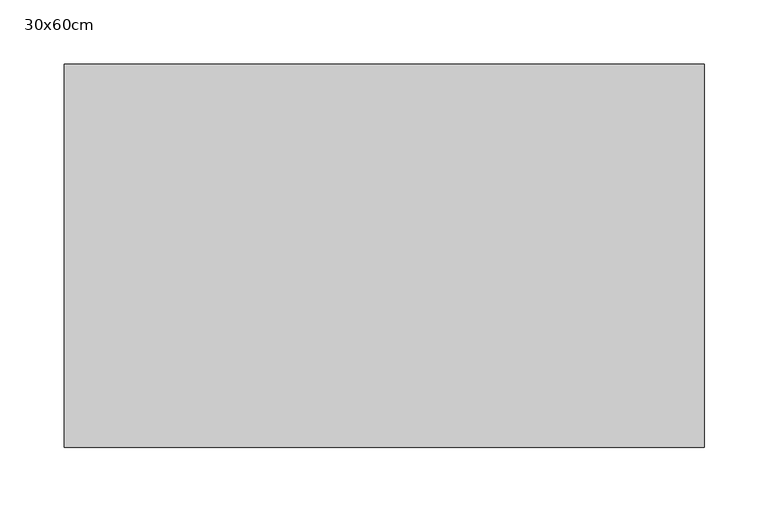
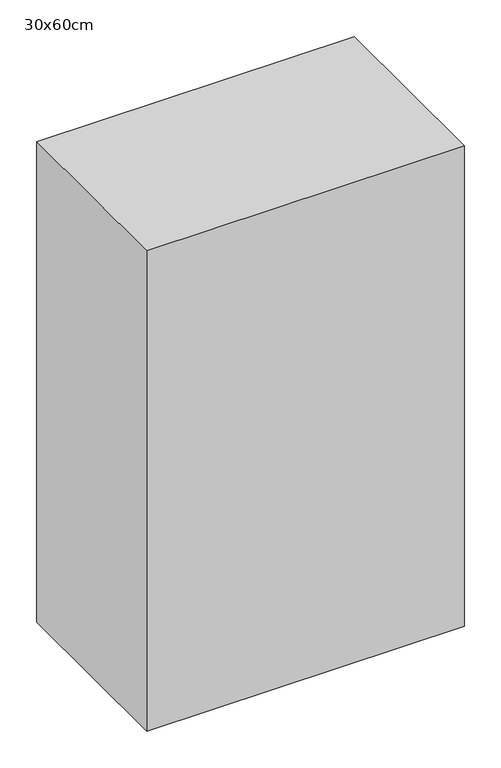
"""IFC4 building model written with IfcOpenShell, lengths in millimetres: proxy geometry, 30x60cm."""

from ifc_helpers import new_model, si_unit, frame, origin, place, context, project, spatial, polyline, outline, extrude, source, transform, mapped, element, save


def proxy_30x60cm_0c09dd75(model_context):
    return source(origin(), model_context, "Body", "SweptSolid", [
        extrude(outline(polyline([(500.0, 300.0), (500.0, 0.0), (0.0, 0.0), (0.0, 300.0), (500.0, 300.0)])), frame((0.0, 0.0, 1300.0), z_axis=(0.0, 0.0, 1.0), x_axis=(1.0, 0.0, 0.0)), (0.0, 0.0, 1.0), 800.0),
    ])


if __name__ == "__main__":
    model = new_model("IFC4")
    model_context = context("Model", 3, world=origin())
    ifc_project = project(units=[si_unit("LENGTHUNIT", "METRE", prefix="MILLI")], contexts=[model_context])
    site = spatial("IfcSite", under=ifc_project)
    building = spatial("IfcBuilding", under=site)
    placement = place(None, origin())
    proxy_30x60cm_shape = proxy_30x60cm_0c09dd75(model_context)
    element("IfcBuildingElementProxy", 1, Name="30x60cm", ObjectType="30x60cm", at=placement, inside=building, context=model_context, shape_type="MappedRepresentation", body=[
        mapped(proxy_30x60cm_shape, transform((0.0, 0.0, 0.0), x_axis=(1.0, 0.0, 0.0), y_axis=(0.0, 1.0, 0.0), z_axis=(0.0, 0.0, 1.0))),
    ])
    save(model, "model.ifc")
